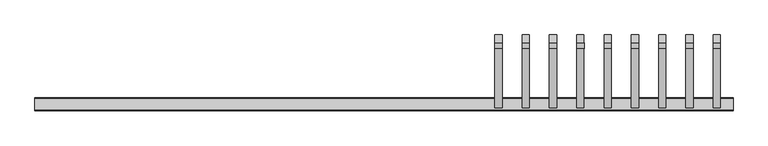
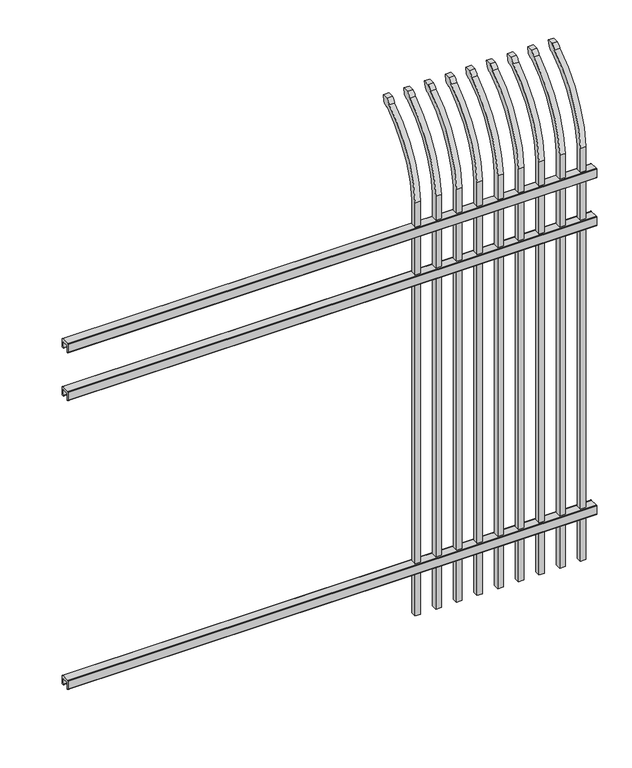
"""IFC4 building model written with IfcOpenShell, lengths in millimetres: railing geometry."""

from ifc_helpers import new_model, si_unit, point, frame, frame_2d, origin, place, context, project, spatial, polyline, circle_curve, ellipse_curve, trimmed, segment, composite_curve, outline, extrude, source, transform, mapped, element, save
from ifc_brep_helpers import plane_surface, cylinder_surface, revolved_surface, extruded_surface, advanced_brep


def railing_c186fdef(model_context):
    return source(origin(), model_context, "Body", "SolidModel", [
        extrude(outline(composite_curve([segment(polyline([(11873.9139761, 304.8), (11911.969541, 304.8)]), True, "CONTINUOUS"), segment(trimmed(circle_curve(frame_2d((11911.969541, 301.625)), 3.175), [point((11911.969541, 304.8))], [point((11915.144541, 301.625))], False, "CARTESIAN"), True, "CONTINUOUS"), segment(polyline([(11915.144541, 301.625), (11915.144541, 262.1439893)]), True, "CONTINUOUS"), segment(trimmed(circle_curve(frame_2d((11913.3505518, 262.1439893)), 1.7939893), [point((11915.144541, 262.1439893))], [point((11913.3505518, 260.35))], False, "CARTESIAN"), True, "CONTINUOUS"), segment(polyline([(11913.3505518, 260.35), (11910.7590713, 260.35)]), True, "CONTINUOUS"), segment(trimmed(circle_curve(frame_2d((11910.7590713, 262.1359375)), 1.7859375), [point((11910.7590713, 260.35))], [point((11908.9755813, 262.0424688))], False, "CARTESIAN"), True, "CONTINUOUS"), segment(polyline([(11908.9755813, 262.0424688), (11907.4025867, 292.0569942), (11878.4364954, 292.0569942), (11876.8635007, 262.0424688)]), True, "CONTINUOUS"), segment(trimmed(circle_curve(frame_2d((11875.0800108, 262.1359375)), 1.7859375), [point((11876.8635007, 262.0424688))], [point((11875.0800108, 260.35))], False, "CARTESIAN"), True, "CONTINUOUS"), segment(polyline([(11875.0800108, 260.35), (11872.4804785, 260.35)]), True, "CONTINUOUS"), segment(trimmed(circle_curve(frame_2d((11872.4804785, 262.1359375)), 1.7859375), [point((11872.4804785, 260.35))], [point((11870.694541, 262.1359375))], False, "CARTESIAN"), True, "CONTINUOUS"), segment(polyline([(11870.694541, 262.1359375), (11870.694541, 301.5805649)]), True, "CONTINUOUS"), segment(trimmed(circle_curve(frame_2d((11873.9139761, 301.5805649)), 3.2194351), [point((11870.694541, 301.5805649))], [point((11873.9139761, 304.8))], False, "CARTESIAN"), True, "CONTINUOUS")], self_intersect=False)), frame((24591.7350064, 0.0, 0.0), z_axis=(1.0, 0.0, 0.0), x_axis=(0.0, 1.0, 0.0)), (0.0, 0.0, 1.0), 2438.4),
        extrude(outline(composite_curve([segment(polyline([(11873.9139761, 1712.9125), (11911.969541, 1712.9125)]), True, "CONTINUOUS"), segment(trimmed(circle_curve(frame_2d((11911.969541, 1709.7375)), 3.175), [point((11911.969541, 1712.9125))], [point((11915.144541, 1709.7375))], False, "CARTESIAN"), True, "CONTINUOUS"), segment(polyline([(11915.144541, 1709.7375), (11915.144541, 1670.2564893)]), True, "CONTINUOUS"), segment(trimmed(circle_curve(frame_2d((11913.3505518, 1670.2564893)), 1.7939893), [point((11915.144541, 1670.2564893))], [point((11913.3505518, 1668.4625))], False, "CARTESIAN"), True, "CONTINUOUS"), segment(polyline([(11913.3505518, 1668.4625), (11910.7590713, 1668.4625)]), True, "CONTINUOUS"), segment(trimmed(circle_curve(frame_2d((11910.7590713, 1670.2484375)), 1.7859375), [point((11910.7590713, 1668.4625))], [point((11908.9755813, 1670.1549688))], False, "CARTESIAN"), True, "CONTINUOUS"), segment(polyline([(11908.9755813, 1670.1549688), (11907.4025867, 1700.1694942), (11878.4364954, 1700.1694942), (11876.8635007, 1670.1549688)]), True, "CONTINUOUS"), segment(trimmed(circle_curve(frame_2d((11875.0800108, 1670.2484375)), 1.7859375), [point((11876.8635007, 1670.1549688))], [point((11875.0800108, 1668.4625))], False, "CARTESIAN"), True, "CONTINUOUS"), segment(polyline([(11875.0800108, 1668.4625), (11872.4804785, 1668.4625)]), True, "CONTINUOUS"), segment(trimmed(circle_curve(frame_2d((11872.4804785, 1670.2484375)), 1.7859375), [point((11872.4804785, 1668.4625))], [point((11870.694541, 1670.2484375))], False, "CARTESIAN"), True, "CONTINUOUS"), segment(polyline([(11870.694541, 1670.2484375), (11870.694541, 1709.6930649)]), True, "CONTINUOUS"), segment(trimmed(circle_curve(frame_2d((11873.9139761, 1709.6930649)), 3.2194351), [point((11870.694541, 1709.6930649))], [point((11873.9139761, 1712.9125))], False, "CARTESIAN"), True, "CONTINUOUS")], self_intersect=False)), frame((24591.7350064, 0.0, 0.0), z_axis=(1.0, 0.0, 0.0), x_axis=(0.0, 1.0, 0.0)), (0.0, 0.0, 1.0), 2438.4),
        extrude(outline(composite_curve([segment(polyline([(11873.9139761, 1946.275), (11911.969541, 1946.275)]), True, "CONTINUOUS"), segment(trimmed(circle_curve(frame_2d((11911.969541, 1943.1)), 3.175), [point((11911.969541, 1946.275))], [point((11915.144541, 1943.1))], False, "CARTESIAN"), True, "CONTINUOUS"), segment(polyline([(11915.144541, 1943.1), (11915.144541, 1903.6189893)]), True, "CONTINUOUS"), segment(trimmed(circle_curve(frame_2d((11913.3505518, 1903.6189893)), 1.7939893), [point((11915.144541, 1903.6189893))], [point((11913.3505518, 1901.825))], False, "CARTESIAN"), True, "CONTINUOUS"), segment(polyline([(11913.3505518, 1901.825), (11910.7590713, 1901.825)]), True, "CONTINUOUS"), segment(trimmed(circle_curve(frame_2d((11910.7590713, 1903.6109375)), 1.7859375), [point((11910.7590713, 1901.825))], [point((11908.9755813, 1903.5174688))], False, "CARTESIAN"), True, "CONTINUOUS"), segment(polyline([(11908.9755813, 1903.5174688), (11907.4025867, 1933.5319942), (11878.4364954, 1933.5319942), (11876.8635007, 1903.5174688)]), True, "CONTINUOUS"), segment(trimmed(circle_curve(frame_2d((11875.0800108, 1903.6109375)), 1.7859375), [point((11876.8635007, 1903.5174688))], [point((11875.0800108, 1901.825))], False, "CARTESIAN"), True, "CONTINUOUS"), segment(polyline([(11875.0800108, 1901.825), (11872.4804785, 1901.825)]), True, "CONTINUOUS"), segment(trimmed(circle_curve(frame_2d((11872.4804785, 1903.6109375)), 1.7859375), [point((11872.4804785, 1901.825))], [point((11870.694541, 1903.6109375))], False, "CARTESIAN"), True, "CONTINUOUS"), segment(polyline([(11870.694541, 1903.6109375), (11870.694541, 1943.0555649)]), True, "CONTINUOUS"), segment(trimmed(circle_curve(frame_2d((11873.9139761, 1943.0555649)), 3.2194351), [point((11870.694541, 1943.0555649))], [point((11873.9139761, 1946.275))], False, "CARTESIAN"), True, "CONTINUOUS")], self_intersect=False)), frame((24591.7350064, 0.0, 0.0), z_axis=(1.0, 0.0, 0.0), x_axis=(0.0, 1.0, 0.0)), (0.0, 0.0, 1.0), 2438.4),
        advanced_brep(
        [(26985.6850064, 11905.619541, 50.8), (26985.6850064, 11905.619541, 2063.9226889), (26985.6850064, 12102.7326851, 2396.1022378), (26985.6850064, 12129.2407099, 2410.7867549), (26985.6850064, 12135.1100864, 2438.4), (26985.6850064, 12106.8799449, 2438.4), (26985.6850064, 12087.4931591, 2417.4682561), (26985.6850064, 11880.219541, 2063.9226889), (26985.6850064, 11880.219541, 50.8), (26960.2850064, 11905.619541, 50.8), (26960.2850064, 11905.619541, 2063.9226889), (26960.2850064, 11880.219541, 2063.9226889), (26960.2850064, 11880.219541, 50.8), (26960.2850064, 12087.4931591, 2417.4682561), (26960.2850064, 12106.8799449, 2438.4), (26960.2850064, 12135.1100864, 2438.4), (26960.2850064, 12129.2407099, 2410.7867549), (26960.2850064, 12102.7326851, 2396.1022378)],
        [
            (0, 1),
            (1, 2, circle_curve(frame((26985.6850064, 12342.9874207, 2028.9640776), z_axis=(-1.0, 0.0, 0.0), x_axis=(0.0, 1.0, 0.0)), 438.7627681)),
            (2, 3, ellipse_curve(frame((26985.6850064, 12110.5579376, 2418.5180619), z_axis=(1.0, 0.0, 0.0), x_axis=(0.0, -0.7771459614569752, -0.6293203910498321)), 26.7460194, 19.05)),
            (3, 4),
            (4, 5),
            (5, 6, ellipse_curve(frame((26985.6850064, 12110.5579376, 2418.5180619), z_axis=(1.0, 0.0, 0.0), x_axis=(0.0, -0.7771459614569761, -0.6293203910498311)), 26.7460194, 19.05)),
            (6, 7, circle_curve(frame((26985.6850064, 12342.0333244, 2030.7065933), z_axis=(1.0, 0.0, 0.0), x_axis=(0.0, 1.0, 0.0)), 463.0067812)),
            (7, 8),
            (8, 0),
            (0, 9),
            (9, 10),
            (10, 1),
            (7, 11),
            (11, 12),
            (12, 8),
            (12, 9),
            (11, 13, circle_curve(frame((26960.2850064, 12342.0333244, 2030.7065933), z_axis=(-1.0, 0.0, 0.0), x_axis=(0.0, 1.0, 0.0)), 463.0067812)),
            (13, 14, ellipse_curve(frame((26960.2850064, 12110.5579376, 2418.5180619), z_axis=(-1.0, 0.0, 0.0), x_axis=(0.0, -0.7771459614569761, -0.6293203910498311)), 26.7460194, 19.05)),
            (14, 15),
            (15, 16),
            (16, 17, ellipse_curve(frame((26960.2850064, 12110.5579376, 2418.5180619), z_axis=(-1.0, 0.0, 0.0), x_axis=(0.0, -0.7771459614569752, -0.6293203910498321)), 26.7460194, 19.05)),
            (17, 10, circle_curve(frame((26960.2850064, 12342.9874207, 2028.9640776), z_axis=(1.0, 0.0, 0.0), x_axis=(0.0, 1.0, 0.0)), 438.7627681)),
            (17, 2),
            (16, 3),
            (15, 4),
            (14, 5),
            (13, 6),
        ],
        [
            plane_surface(frame((26985.6850064, 11905.619541, 50.8), z_axis=(1.0, 0.0, 0.0), x_axis=(0.0, 0.0, 1.0))),
            plane_surface(frame((26985.6850064, 11905.619541, 50.8), z_axis=(0.0, 1.0, 0.0), x_axis=(-1.0, 0.0, 0.0))),
            plane_surface(frame((26985.6850064, 11880.219541, 2063.9226889), z_axis=(0.0, -1.0, 0.0), x_axis=(-1.0, 0.0, 0.0))),
            plane_surface(frame((26985.6850064, 11880.219541, 50.8), z_axis=(0.0, 0.0, -1.0), x_axis=(-1.0, 0.0, 0.0))),
            plane_surface(frame((26960.2850064, 11905.619541, 50.8), z_axis=(-1.0, 0.0, 0.0), x_axis=(0.0, 0.0, -1.0))),
            revolved_surface(polyline([(26960.2850064, 12781.750188799999, 2028.9640776), (26985.6850064, 12781.750188799999, 2028.9640776)]), (26960.2850064, 12342.9874207, 2028.9640776), (-1.0, 0.0, 0.0)),
            extruded_surface(trimmed(ellipse_curve(frame((26934.8850064, 12110.5579376, 2418.5180619), z_axis=(1.0, 0.0, 0.0), x_axis=(0.0, -0.7771459614569752, -0.6293203910498321)), 26.7460194, 19.05), [point((26934.8850064, 12102.7326851, 2396.1022378))], [point((26934.8850064, 12129.2407099, 2410.7867549))], True, "CARTESIAN"), (25.400000000001455, 0.0, 0.0), 25.400000000001455),
            plane_surface(frame((26985.6850064, 12129.2407099, 2410.7867549), z_axis=(0.0, 0.9781476007338008, -0.20791169081778224), x_axis=(-1.0, 0.0, 0.0))),
            plane_surface(frame((26985.6850064, 12135.1100864, 2438.4), z_axis=(0.0, 0.0, 1.0), x_axis=(-1.0, 0.0, 0.0))),
            extruded_surface(trimmed(ellipse_curve(frame((26934.8850064, 12110.5579376, 2418.5180619), z_axis=(1.0, 0.0, 0.0), x_axis=(0.0, -0.7771459614569761, -0.6293203910498311)), 26.7460194, 19.05), [point((26934.8850064, 12106.8799449, 2438.4))], [point((26934.8850064, 12087.4931591, 2417.4682561))], True, "CARTESIAN"), (25.400000000001455, 0.0, 0.0), 25.400000000001455),
            cylinder_surface(frame((26960.2850064, 12342.0333244, 2030.7065933), z_axis=(1.0, 0.0, 0.0), x_axis=(0.0, 1.0, 0.0)), 463.0067812),
        ],
        [
            (0, [[1, 2, 3, 4, 5, 6, 7, 8, 9]]),
            (1, [[-1, 10, 11, 12]]),
            (2, [[-8, 13, 14, 15]]),
            (3, [[-9, -15, 16, -10]]),
            (4, [[-16, -14, 17, 18, 19, 20, 21, 22, -11]]),
            (5, [[-2, -12, -22, 23]]),
            (6, [[-3, -23, -21, 24]]),
            (7, [[-4, -24, -20, 25]]),
            (8, [[-5, -25, -19, 26]]),
            (9, [[-6, -26, -18, 27]]),
            (10, [[-7, -27, -17, -13]]),
        ],
    ),
        advanced_brep(
        [(26890.4350064, 11905.619541, 50.8), (26890.4350064, 11905.619541, 2063.9226889), (26890.4350064, 12102.7326851, 2396.1022378), (26890.4350064, 12129.2407099, 2410.7867549), (26890.4350064, 12135.1100864, 2438.4), (26890.4350064, 12106.8799449, 2438.4), (26890.4350064, 12087.4931591, 2417.4682561), (26890.4350064, 11880.219541, 2063.9226889), (26890.4350064, 11880.219541, 50.8), (26865.0350064, 11905.619541, 50.8), (26865.0350064, 11905.619541, 2063.9226889), (26865.0350064, 11880.219541, 2063.9226889), (26865.0350064, 11880.219541, 50.8), (26865.0350064, 12087.4931591, 2417.4682561), (26865.0350064, 12106.8799449, 2438.4), (26865.0350064, 12135.1100864, 2438.4), (26865.0350064, 12129.2407099, 2410.7867549), (26865.0350064, 12102.7326851, 2396.1022378)],
        [
            (0, 1),
            (1, 2, circle_curve(frame((26890.4350064, 12342.9874207, 2028.9640776), z_axis=(-1.0, 0.0, 0.0), x_axis=(0.0, 1.0, 0.0)), 438.7627681)),
            (2, 3, ellipse_curve(frame((26890.4350064, 12110.5579376, 2418.5180619), z_axis=(1.0, 0.0, 0.0), x_axis=(0.0, -0.7771459614569752, -0.6293203910498321)), 26.7460194, 19.05)),
            (3, 4),
            (4, 5),
            (5, 6, ellipse_curve(frame((26890.4350064, 12110.5579376, 2418.5180619), z_axis=(1.0, 0.0, 0.0), x_axis=(0.0, -0.7771459614569761, -0.6293203910498311)), 26.7460194, 19.05)),
            (6, 7, circle_curve(frame((26890.4350064, 12342.0333244, 2030.7065933), z_axis=(1.0, 0.0, 0.0), x_axis=(0.0, 1.0, 0.0)), 463.0067812)),
            (7, 8),
            (8, 0),
            (0, 9),
            (9, 10),
            (10, 1),
            (7, 11),
            (11, 12),
            (12, 8),
            (12, 9),
            (11, 13, circle_curve(frame((26865.0350064, 12342.0333244, 2030.7065933), z_axis=(-1.0, 0.0, 0.0), x_axis=(0.0, 1.0, 0.0)), 463.0067812)),
            (13, 14, ellipse_curve(frame((26865.0350064, 12110.5579376, 2418.5180619), z_axis=(-1.0, 0.0, 0.0), x_axis=(0.0, -0.7771459614569761, -0.6293203910498311)), 26.7460194, 19.05)),
            (14, 15),
            (15, 16),
            (16, 17, ellipse_curve(frame((26865.0350064, 12110.5579376, 2418.5180619), z_axis=(-1.0, 0.0, 0.0), x_axis=(0.0, -0.7771459614569752, -0.6293203910498321)), 26.7460194, 19.05)),
            (17, 10, circle_curve(frame((26865.0350064, 12342.9874207, 2028.9640776), z_axis=(1.0, 0.0, 0.0), x_axis=(0.0, 1.0, 0.0)), 438.7627681)),
            (17, 2),
            (16, 3),
            (15, 4),
            (14, 5),
            (13, 6),
        ],
        [
            plane_surface(frame((26890.4350064, 11905.619541, 50.8), z_axis=(1.0, 0.0, 0.0), x_axis=(0.0, 0.0, 1.0))),
            plane_surface(frame((26890.4350064, 11905.619541, 50.8), z_axis=(0.0, 1.0, 0.0), x_axis=(-1.0, 0.0, 0.0))),
            plane_surface(frame((26890.4350064, 11880.219541, 2063.9226889), z_axis=(0.0, -1.0, 0.0), x_axis=(-1.0, 0.0, 0.0))),
            plane_surface(frame((26890.4350064, 11880.219541, 50.8), z_axis=(0.0, 0.0, -1.0), x_axis=(-1.0, 0.0, 0.0))),
            plane_surface(frame((26865.0350064, 11905.619541, 50.8), z_axis=(-1.0, 0.0, 0.0), x_axis=(0.0, 0.0, -1.0))),
            revolved_surface(polyline([(26865.0350064, 12781.750188799999, 2028.9640776), (26890.4350064, 12781.750188799999, 2028.9640776)]), (26865.0350064, 12342.9874207, 2028.9640776), (-1.0, 0.0, 0.0)),
            extruded_surface(trimmed(ellipse_curve(frame((26839.6350064, 12110.5579376, 2418.5180619), z_axis=(1.0, 0.0, 0.0), x_axis=(0.0, -0.7771459614569752, -0.6293203910498321)), 26.7460194, 19.05), [point((26839.6350064, 12102.7326851, 2396.1022378))], [point((26839.6350064, 12129.2407099, 2410.7867549))], True, "CARTESIAN"), (25.400000000001455, 0.0, 0.0), 25.400000000001455),
            plane_surface(frame((26890.4350064, 12129.2407099, 2410.7867549), z_axis=(0.0, 0.9781476007338008, -0.20791169081778224), x_axis=(-1.0, 0.0, 0.0))),
            plane_surface(frame((26890.4350064, 12135.1100864, 2438.4), z_axis=(0.0, 0.0, 1.0), x_axis=(-1.0, 0.0, 0.0))),
            extruded_surface(trimmed(ellipse_curve(frame((26839.6350064, 12110.5579376, 2418.5180619), z_axis=(1.0, 0.0, 0.0), x_axis=(0.0, -0.7771459614569761, -0.6293203910498311)), 26.7460194, 19.05), [point((26839.6350064, 12106.8799449, 2438.4))], [point((26839.6350064, 12087.4931591, 2417.4682561))], True, "CARTESIAN"), (25.400000000001455, 0.0, 0.0), 25.400000000001455),
            cylinder_surface(frame((26865.0350064, 12342.0333244, 2030.7065933), z_axis=(1.0, 0.0, 0.0), x_axis=(0.0, 1.0, 0.0)), 463.0067812),
        ],
        [
            (0, [[1, 2, 3, 4, 5, 6, 7, 8, 9]]),
            (1, [[-1, 10, 11, 12]]),
            (2, [[-8, 13, 14, 15]]),
            (3, [[-9, -15, 16, -10]]),
            (4, [[-16, -14, 17, 18, 19, 20, 21, 22, -11]]),
            (5, [[-2, -12, -22, 23]]),
            (6, [[-3, -23, -21, 24]]),
            (7, [[-4, -24, -20, 25]]),
            (8, [[-5, -25, -19, 26]]),
            (9, [[-6, -26, -18, 27]]),
            (10, [[-7, -27, -17, -13]]),
        ],
    ),
        advanced_brep(
        [(26795.1850064, 11905.619541, 50.8), (26795.1850064, 11905.619541, 2063.9226889), (26795.1850064, 12102.7326851, 2396.1022378), (26795.1850064, 12129.2407099, 2410.7867549), (26795.1850064, 12135.1100864, 2438.4), (26795.1850064, 12106.8799449, 2438.4), (26795.1850064, 12087.4931591, 2417.4682561), (26795.1850064, 11880.219541, 2063.9226889), (26795.1850064, 11880.219541, 50.8), (26769.7850064, 11905.619541, 50.8), (26769.7850064, 11905.619541, 2063.9226889), (26769.7850064, 11880.219541, 2063.9226889), (26769.7850064, 11880.219541, 50.8), (26769.7850064, 12087.4931591, 2417.4682561), (26769.7850064, 12106.8799449, 2438.4), (26769.7850064, 12135.1100864, 2438.4), (26769.7850064, 12129.2407099, 2410.7867549), (26769.7850064, 12102.7326851, 2396.1022378)],
        [
            (0, 1),
            (1, 2, circle_curve(frame((26795.1850064, 12342.9874207, 2028.9640776), z_axis=(-1.0, 0.0, 0.0), x_axis=(0.0, 1.0, 0.0)), 438.7627681)),
            (2, 3, ellipse_curve(frame((26795.1850064, 12110.5579376, 2418.5180619), z_axis=(1.0, 0.0, 0.0), x_axis=(0.0, -0.7771459614569752, -0.6293203910498321)), 26.7460194, 19.05)),
            (3, 4),
            (4, 5),
            (5, 6, ellipse_curve(frame((26795.1850064, 12110.5579376, 2418.5180619), z_axis=(1.0, 0.0, 0.0), x_axis=(0.0, -0.7771459614569761, -0.6293203910498311)), 26.7460194, 19.05)),
            (6, 7, circle_curve(frame((26795.1850064, 12342.0333244, 2030.7065933), z_axis=(1.0, 0.0, 0.0), x_axis=(0.0, 1.0, 0.0)), 463.0067812)),
            (7, 8),
            (8, 0),
            (0, 9),
            (9, 10),
            (10, 1),
            (7, 11),
            (11, 12),
            (12, 8),
            (12, 9),
            (11, 13, circle_curve(frame((26769.7850064, 12342.0333244, 2030.7065933), z_axis=(-1.0, 0.0, 0.0), x_axis=(0.0, 1.0, 0.0)), 463.0067812)),
            (13, 14, ellipse_curve(frame((26769.7850064, 12110.5579376, 2418.5180619), z_axis=(-1.0, 0.0, 0.0), x_axis=(0.0, -0.7771459614569761, -0.6293203910498311)), 26.7460194, 19.05)),
            (14, 15),
            (15, 16),
            (16, 17, ellipse_curve(frame((26769.7850064, 12110.5579376, 2418.5180619), z_axis=(-1.0, 0.0, 0.0), x_axis=(0.0, -0.7771459614569752, -0.6293203910498321)), 26.7460194, 19.05)),
            (17, 10, circle_curve(frame((26769.7850064, 12342.9874207, 2028.9640776), z_axis=(1.0, 0.0, 0.0), x_axis=(0.0, 1.0, 0.0)), 438.7627681)),
            (17, 2),
            (16, 3),
            (15, 4),
            (14, 5),
            (13, 6),
        ],
        [
            plane_surface(frame((26795.1850064, 11905.619541, 50.8), z_axis=(1.0, 0.0, 0.0), x_axis=(0.0, 0.0, 1.0))),
            plane_surface(frame((26795.1850064, 11905.619541, 50.8), z_axis=(0.0, 1.0, 0.0), x_axis=(-1.0, 0.0, 0.0))),
            plane_surface(frame((26795.1850064, 11880.219541, 2063.9226889), z_axis=(0.0, -1.0, 0.0), x_axis=(-1.0, 0.0, 0.0))),
            plane_surface(frame((26795.1850064, 11880.219541, 50.8), z_axis=(0.0, 0.0, -1.0), x_axis=(-1.0, 0.0, 0.0))),
            plane_surface(frame((26769.7850064, 11905.619541, 50.8), z_axis=(-1.0, 0.0, 0.0), x_axis=(0.0, 0.0, -1.0))),
            revolved_surface(polyline([(26769.7850064, 12781.750188799999, 2028.9640776), (26795.1850064, 12781.750188799999, 2028.9640776)]), (26769.7850064, 12342.9874207, 2028.9640776), (-1.0, 0.0, 0.0)),
            extruded_surface(trimmed(ellipse_curve(frame((26744.3850064, 12110.5579376, 2418.5180619), z_axis=(1.0, 0.0, 0.0), x_axis=(0.0, -0.7771459614569752, -0.6293203910498321)), 26.7460194, 19.05), [point((26744.3850064, 12102.7326851, 2396.1022378))], [point((26744.3850064, 12129.2407099, 2410.7867549))], True, "CARTESIAN"), (25.400000000001455, 0.0, 0.0), 25.400000000001455),
            plane_surface(frame((26795.1850064, 12129.2407099, 2410.7867549), z_axis=(0.0, 0.9781476007338008, -0.20791169081778224), x_axis=(-1.0, 0.0, 0.0))),
            plane_surface(frame((26795.1850064, 12135.1100864, 2438.4), z_axis=(0.0, 0.0, 1.0), x_axis=(-1.0, 0.0, 0.0))),
            extruded_surface(trimmed(ellipse_curve(frame((26744.3850064, 12110.5579376, 2418.5180619), z_axis=(1.0, 0.0, 0.0), x_axis=(0.0, -0.7771459614569761, -0.6293203910498311)), 26.7460194, 19.05), [point((26744.3850064, 12106.8799449, 2438.4))], [point((26744.3850064, 12087.4931591, 2417.4682561))], True, "CARTESIAN"), (25.400000000001455, 0.0, 0.0), 25.400000000001455),
            cylinder_surface(frame((26769.7850064, 12342.0333244, 2030.7065933), z_axis=(1.0, 0.0, 0.0), x_axis=(0.0, 1.0, 0.0)), 463.0067812),
        ],
        [
            (0, [[1, 2, 3, 4, 5, 6, 7, 8, 9]]),
            (1, [[-1, 10, 11, 12]]),
            (2, [[-8, 13, 14, 15]]),
            (3, [[-9, -15, 16, -10]]),
            (4, [[-16, -14, 17, 18, 19, 20, 21, 22, -11]]),
            (5, [[-2, -12, -22, 23]]),
            (6, [[-3, -23, -21, 24]]),
            (7, [[-4, -24, -20, 25]]),
            (8, [[-5, -25, -19, 26]]),
            (9, [[-6, -26, -18, 27]]),
            (10, [[-7, -27, -17, -13]]),
        ],
    ),
        advanced_brep(
        [(26699.9350064, 11905.619541, 50.8), (26699.9350064, 11905.619541, 2063.9226889), (26699.9350064, 12102.7326851, 2396.1022378), (26699.9350064, 12129.2407099, 2410.7867549), (26699.9350064, 12135.1100864, 2438.4), (26699.9350064, 12106.8799449, 2438.4), (26699.9350064, 12087.4931591, 2417.4682561), (26699.9350064, 11880.219541, 2063.9226889), (26699.9350064, 11880.219541, 50.8), (26674.5350064, 11905.619541, 50.8), (26674.5350064, 11905.619541, 2063.9226889), (26674.5350064, 11880.219541, 2063.9226889), (26674.5350064, 11880.219541, 50.8), (26674.5350064, 12087.4931591, 2417.4682561), (26674.5350064, 12106.8799449, 2438.4), (26674.5350064, 12135.1100864, 2438.4), (26674.5350064, 12129.2407099, 2410.7867549), (26674.5350064, 12102.7326851, 2396.1022378)],
        [
            (0, 1),
            (1, 2, circle_curve(frame((26699.9350064, 12342.9874207, 2028.9640776), z_axis=(-1.0, 0.0, 0.0), x_axis=(0.0, 1.0, 0.0)), 438.7627681)),
            (2, 3, ellipse_curve(frame((26699.9350064, 12110.5579376, 2418.5180619), z_axis=(1.0, 0.0, 0.0), x_axis=(0.0, -0.7771459614569752, -0.6293203910498321)), 26.7460194, 19.05)),
            (3, 4),
            (4, 5),
            (5, 6, ellipse_curve(frame((26699.9350064, 12110.5579376, 2418.5180619), z_axis=(1.0, 0.0, 0.0), x_axis=(0.0, -0.7771459614569761, -0.6293203910498311)), 26.7460194, 19.05)),
            (6, 7, circle_curve(frame((26699.9350064, 12342.0333244, 2030.7065933), z_axis=(1.0, 0.0, 0.0), x_axis=(0.0, 1.0, 0.0)), 463.0067812)),
            (7, 8),
            (8, 0),
            (0, 9),
            (9, 10),
            (10, 1),
            (7, 11),
            (11, 12),
            (12, 8),
            (12, 9),
            (11, 13, circle_curve(frame((26674.5350064, 12342.0333244, 2030.7065933), z_axis=(-1.0, 0.0, 0.0), x_axis=(0.0, 1.0, 0.0)), 463.0067812)),
            (13, 14, ellipse_curve(frame((26674.5350064, 12110.5579376, 2418.5180619), z_axis=(-1.0, 0.0, 0.0), x_axis=(0.0, -0.7771459614569761, -0.6293203910498311)), 26.7460194, 19.05)),
            (14, 15),
            (15, 16),
            (16, 17, ellipse_curve(frame((26674.5350064, 12110.5579376, 2418.5180619), z_axis=(-1.0, 0.0, 0.0), x_axis=(0.0, -0.7771459614569752, -0.6293203910498321)), 26.7460194, 19.05)),
            (17, 10, circle_curve(frame((26674.5350064, 12342.9874207, 2028.9640776), z_axis=(1.0, 0.0, 0.0), x_axis=(0.0, 1.0, 0.0)), 438.7627681)),
            (17, 2),
            (16, 3),
            (15, 4),
            (14, 5),
            (13, 6),
        ],
        [
            plane_surface(frame((26699.9350064, 11905.619541, 50.8), z_axis=(1.0, 0.0, 0.0), x_axis=(0.0, 0.0, 1.0))),
            plane_surface(frame((26699.9350064, 11905.619541, 50.8), z_axis=(0.0, 1.0, 0.0), x_axis=(-1.0, 0.0, 0.0))),
            plane_surface(frame((26699.9350064, 11880.219541, 2063.9226889), z_axis=(0.0, -1.0, 0.0), x_axis=(-1.0, 0.0, 0.0))),
            plane_surface(frame((26699.9350064, 11880.219541, 50.8), z_axis=(0.0, 0.0, -1.0), x_axis=(-1.0, 0.0, 0.0))),
            plane_surface(frame((26674.5350064, 11905.619541, 50.8), z_axis=(-1.0, 0.0, 0.0), x_axis=(0.0, 0.0, -1.0))),
            revolved_surface(polyline([(26674.5350064, 12781.750188799999, 2028.9640776), (26699.9350064, 12781.750188799999, 2028.9640776)]), (26674.5350064, 12342.9874207, 2028.9640776), (-1.0, 0.0, 0.0)),
            extruded_surface(trimmed(ellipse_curve(frame((26649.1350064, 12110.5579376, 2418.5180619), z_axis=(1.0, 0.0, 0.0), x_axis=(0.0, -0.7771459614569752, -0.6293203910498321)), 26.7460194, 19.05), [point((26649.1350064, 12102.7326851, 2396.1022378))], [point((26649.1350064, 12129.2407099, 2410.7867549))], True, "CARTESIAN"), (25.400000000001455, 0.0, 0.0), 25.400000000001455),
            plane_surface(frame((26699.9350064, 12129.2407099, 2410.7867549), z_axis=(0.0, 0.9781476007338008, -0.20791169081778224), x_axis=(-1.0, 0.0, 0.0))),
            plane_surface(frame((26699.9350064, 12135.1100864, 2438.4), z_axis=(0.0, 0.0, 1.0), x_axis=(-1.0, 0.0, 0.0))),
            extruded_surface(trimmed(ellipse_curve(frame((26649.1350064, 12110.5579376, 2418.5180619), z_axis=(1.0, 0.0, 0.0), x_axis=(0.0, -0.7771459614569761, -0.6293203910498311)), 26.7460194, 19.05), [point((26649.1350064, 12106.8799449, 2438.4))], [point((26649.1350064, 12087.4931591, 2417.4682561))], True, "CARTESIAN"), (25.400000000001455, 0.0, 0.0), 25.400000000001455),
            cylinder_surface(frame((26674.5350064, 12342.0333244, 2030.7065933), z_axis=(1.0, 0.0, 0.0), x_axis=(0.0, 1.0, 0.0)), 463.0067812),
        ],
        [
            (0, [[1, 2, 3, 4, 5, 6, 7, 8, 9]]),
            (1, [[-1, 10, 11, 12]]),
            (2, [[-8, 13, 14, 15]]),
            (3, [[-9, -15, 16, -10]]),
            (4, [[-16, -14, 17, 18, 19, 20, 21, 22, -11]]),
            (5, [[-2, -12, -22, 23]]),
            (6, [[-3, -23, -21, 24]]),
            (7, [[-4, -24, -20, 25]]),
            (8, [[-5, -25, -19, 26]]),
            (9, [[-6, -26, -18, 27]]),
            (10, [[-7, -27, -17, -13]]),
        ],
    ),
        advanced_brep(
        [(26604.6850064, 11905.619541, 50.8), (26604.6850064, 11905.619541, 2063.9226889), (26604.6850064, 12102.7326851, 2396.1022378), (26604.6850064, 12129.2407099, 2410.7867549), (26604.6850064, 12135.1100864, 2438.4), (26604.6850064, 12106.8799449, 2438.4), (26604.6850064, 12087.4931591, 2417.4682561), (26604.6850064, 11880.219541, 2063.9226889), (26604.6850064, 11880.219541, 50.8), (26579.2850064, 11905.619541, 50.8), (26579.2850064, 11905.619541, 2063.9226889), (26579.2850064, 11880.219541, 2063.9226889), (26579.2850064, 11880.219541, 50.8), (26579.2850064, 12087.4931591, 2417.4682561), (26579.2850064, 12106.8799449, 2438.4), (26579.2850064, 12135.1100864, 2438.4), (26579.2850064, 12129.2407099, 2410.7867549), (26579.2850064, 12102.7326851, 2396.1022378)],
        [
            (0, 1),
            (1, 2, circle_curve(frame((26604.6850064, 12342.9874207, 2028.9640776), z_axis=(-1.0, 0.0, 0.0), x_axis=(0.0, 1.0, 0.0)), 438.7627681)),
            (2, 3, ellipse_curve(frame((26604.6850064, 12110.5579376, 2418.5180619), z_axis=(1.0, 0.0, 0.0), x_axis=(0.0, -0.7771459614569752, -0.6293203910498321)), 26.7460194, 19.05)),
            (3, 4),
            (4, 5),
            (5, 6, ellipse_curve(frame((26604.6850064, 12110.5579376, 2418.5180619), z_axis=(1.0, 0.0, 0.0), x_axis=(0.0, -0.7771459614569761, -0.6293203910498311)), 26.7460194, 19.05)),
            (6, 7, circle_curve(frame((26604.6850064, 12342.0333244, 2030.7065933), z_axis=(1.0, 0.0, 0.0), x_axis=(0.0, 1.0, 0.0)), 463.0067812)),
            (7, 8),
            (8, 0),
            (0, 9),
            (9, 10),
            (10, 1),
            (7, 11),
            (11, 12),
            (12, 8),
            (12, 9),
            (11, 13, circle_curve(frame((26579.2850064, 12342.0333244, 2030.7065933), z_axis=(-1.0, 0.0, 0.0), x_axis=(0.0, 1.0, 0.0)), 463.0067812)),
            (13, 14, ellipse_curve(frame((26579.2850064, 12110.5579376, 2418.5180619), z_axis=(-1.0, 0.0, 0.0), x_axis=(0.0, -0.7771459614569761, -0.6293203910498311)), 26.7460194, 19.05)),
            (14, 15),
            (15, 16),
            (16, 17, ellipse_curve(frame((26579.2850064, 12110.5579376, 2418.5180619), z_axis=(-1.0, 0.0, 0.0), x_axis=(0.0, -0.7771459614569752, -0.6293203910498321)), 26.7460194, 19.05)),
            (17, 10, circle_curve(frame((26579.2850064, 12342.9874207, 2028.9640776), z_axis=(1.0, 0.0, 0.0), x_axis=(0.0, 1.0, 0.0)), 438.7627681)),
            (17, 2),
            (16, 3),
            (15, 4),
            (14, 5),
            (13, 6),
        ],
        [
            plane_surface(frame((26604.6850064, 11905.619541, 50.8), z_axis=(1.0, 0.0, 0.0), x_axis=(0.0, 0.0, 1.0))),
            plane_surface(frame((26604.6850064, 11905.619541, 50.8), z_axis=(0.0, 1.0, 0.0), x_axis=(-1.0, 0.0, 0.0))),
            plane_surface(frame((26604.6850064, 11880.219541, 2063.9226889), z_axis=(0.0, -1.0, 0.0), x_axis=(-1.0, 0.0, 0.0))),
            plane_surface(frame((26604.6850064, 11880.219541, 50.8), z_axis=(0.0, 0.0, -1.0), x_axis=(-1.0, 0.0, 0.0))),
            plane_surface(frame((26579.2850064, 11905.619541, 50.8), z_axis=(-1.0, 0.0, 0.0), x_axis=(0.0, 0.0, -1.0))),
            revolved_surface(polyline([(26579.2850064, 12781.750188799999, 2028.9640776), (26604.6850064, 12781.750188799999, 2028.9640776)]), (26579.2850064, 12342.9874207, 2028.9640776), (-1.0, 0.0, 0.0)),
            extruded_surface(trimmed(ellipse_curve(frame((26553.8850064, 12110.5579376, 2418.5180619), z_axis=(1.0, 0.0, 0.0), x_axis=(0.0, -0.7771459614569752, -0.6293203910498321)), 26.7460194, 19.05), [point((26553.8850064, 12102.7326851, 2396.1022378))], [point((26553.8850064, 12129.2407099, 2410.7867549))], True, "CARTESIAN"), (25.400000000001455, 0.0, 0.0), 25.400000000001455),
            plane_surface(frame((26604.6850064, 12129.2407099, 2410.7867549), z_axis=(0.0, 0.9781476007338008, -0.20791169081778224), x_axis=(-1.0, 0.0, 0.0))),
            plane_surface(frame((26604.6850064, 12135.1100864, 2438.4), z_axis=(0.0, 0.0, 1.0), x_axis=(-1.0, 0.0, 0.0))),
            extruded_surface(trimmed(ellipse_curve(frame((26553.8850064, 12110.5579376, 2418.5180619), z_axis=(1.0, 0.0, 0.0), x_axis=(0.0, -0.7771459614569761, -0.6293203910498311)), 26.7460194, 19.05), [point((26553.8850064, 12106.8799449, 2438.4))], [point((26553.8850064, 12087.4931591, 2417.4682561))], True, "CARTESIAN"), (25.400000000001455, 0.0, 0.0), 25.400000000001455),
            cylinder_surface(frame((26579.2850064, 12342.0333244, 2030.7065933), z_axis=(1.0, 0.0, 0.0), x_axis=(0.0, 1.0, 0.0)), 463.0067812),
        ],
        [
            (0, [[1, 2, 3, 4, 5, 6, 7, 8, 9]]),
            (1, [[-1, 10, 11, 12]]),
            (2, [[-8, 13, 14, 15]]),
            (3, [[-9, -15, 16, -10]]),
            (4, [[-16, -14, 17, 18, 19, 20, 21, 22, -11]]),
            (5, [[-2, -12, -22, 23]]),
            (6, [[-3, -23, -21, 24]]),
            (7, [[-4, -24, -20, 25]]),
            (8, [[-5, -25, -19, 26]]),
            (9, [[-6, -26, -18, 27]]),
            (10, [[-7, -27, -17, -13]]),
        ],
    ),
        advanced_brep(
        [(26509.4350064, 11905.619541, 50.8), (26509.4350064, 11905.619541, 2063.9226889), (26509.4350064, 12102.7326851, 2396.1022378), (26509.4350064, 12129.2407099, 2410.7867549), (26509.4350064, 12135.1100864, 2438.4), (26509.4350064, 12106.8799449, 2438.4), (26509.4350064, 12087.4931591, 2417.4682561), (26509.4350064, 11880.219541, 2063.9226889), (26509.4350064, 11880.219541, 50.8), (26484.0350064, 11905.619541, 50.8), (26484.0350064, 11905.619541, 2063.9226889), (26484.0350064, 11880.219541, 2063.9226889), (26484.0350064, 11880.219541, 50.8), (26484.0350064, 12087.4931591, 2417.4682561), (26484.0350064, 12106.8799449, 2438.4), (26484.0350064, 12135.1100864, 2438.4), (26484.0350064, 12129.2407099, 2410.7867549), (26484.0350064, 12102.7326851, 2396.1022378)],
        [
            (0, 1),
            (1, 2, circle_curve(frame((26509.4350064, 12342.9874207, 2028.9640776), z_axis=(-1.0, 0.0, 0.0), x_axis=(0.0, 1.0, 0.0)), 438.7627681)),
            (2, 3, ellipse_curve(frame((26509.4350064, 12110.5579376, 2418.5180619), z_axis=(1.0, 0.0, 0.0), x_axis=(0.0, -0.7771459614569752, -0.6293203910498321)), 26.7460194, 19.05)),
            (3, 4),
            (4, 5),
            (5, 6, ellipse_curve(frame((26509.4350064, 12110.5579376, 2418.5180619), z_axis=(1.0, 0.0, 0.0), x_axis=(0.0, -0.7771459614569761, -0.6293203910498311)), 26.7460194, 19.05)),
            (6, 7, circle_curve(frame((26509.4350064, 12342.0333244, 2030.7065933), z_axis=(1.0, 0.0, 0.0), x_axis=(0.0, 1.0, 0.0)), 463.0067812)),
            (7, 8),
            (8, 0),
            (0, 9),
            (9, 10),
            (10, 1),
            (7, 11),
            (11, 12),
            (12, 8),
            (12, 9),
            (11, 13, circle_curve(frame((26484.0350064, 12342.0333244, 2030.7065933), z_axis=(-1.0, 0.0, 0.0), x_axis=(0.0, 1.0, 0.0)), 463.0067812)),
            (13, 14, ellipse_curve(frame((26484.0350064, 12110.5579376, 2418.5180619), z_axis=(-1.0, 0.0, 0.0), x_axis=(0.0, -0.7771459614569761, -0.6293203910498311)), 26.7460194, 19.05)),
            (14, 15),
            (15, 16),
            (16, 17, ellipse_curve(frame((26484.0350064, 12110.5579376, 2418.5180619), z_axis=(-1.0, 0.0, 0.0), x_axis=(0.0, -0.7771459614569752, -0.6293203910498321)), 26.7460194, 19.05)),
            (17, 10, circle_curve(frame((26484.0350064, 12342.9874207, 2028.9640776), z_axis=(1.0, 0.0, 0.0), x_axis=(0.0, 1.0, 0.0)), 438.7627681)),
            (17, 2),
            (16, 3),
            (15, 4),
            (14, 5),
            (13, 6),
        ],
        [
            plane_surface(frame((26509.4350064, 11905.619541, 50.8), z_axis=(1.0, 0.0, 0.0), x_axis=(0.0, 0.0, 1.0))),
            plane_surface(frame((26509.4350064, 11905.619541, 50.8), z_axis=(0.0, 1.0, 0.0), x_axis=(-1.0, 0.0, 0.0))),
            plane_surface(frame((26509.4350064, 11880.219541, 2063.9226889), z_axis=(0.0, -1.0, 0.0), x_axis=(-1.0, 0.0, 0.0))),
            plane_surface(frame((26509.4350064, 11880.219541, 50.8), z_axis=(0.0, 0.0, -1.0), x_axis=(-1.0, 0.0, 0.0))),
            plane_surface(frame((26484.0350064, 11905.619541, 50.8), z_axis=(-1.0, 0.0, 0.0), x_axis=(0.0, 0.0, -1.0))),
            revolved_surface(polyline([(26484.0350064, 12781.750188799999, 2028.9640776), (26509.4350064, 12781.750188799999, 2028.9640776)]), (26484.0350064, 12342.9874207, 2028.9640776), (-1.0, 0.0, 0.0)),
            extruded_surface(trimmed(ellipse_curve(frame((26458.6350064, 12110.5579376, 2418.5180619), z_axis=(1.0, 0.0, 0.0), x_axis=(0.0, -0.7771459614569752, -0.6293203910498321)), 26.7460194, 19.05), [point((26458.6350064, 12102.7326851, 2396.1022378))], [point((26458.6350064, 12129.2407099, 2410.7867549))], True, "CARTESIAN"), (25.400000000001455, 0.0, 0.0), 25.400000000001455),
            plane_surface(frame((26509.4350064, 12129.2407099, 2410.7867549), z_axis=(0.0, 0.9781476007338008, -0.20791169081778224), x_axis=(-1.0, 0.0, 0.0))),
            plane_surface(frame((26509.4350064, 12135.1100864, 2438.4), z_axis=(0.0, 0.0, 1.0), x_axis=(-1.0, 0.0, 0.0))),
            extruded_surface(trimmed(ellipse_curve(frame((26458.6350064, 12110.5579376, 2418.5180619), z_axis=(1.0, 0.0, 0.0), x_axis=(0.0, -0.7771459614569761, -0.6293203910498311)), 26.7460194, 19.05), [point((26458.6350064, 12106.8799449, 2438.4))], [point((26458.6350064, 12087.4931591, 2417.4682561))], True, "CARTESIAN"), (25.400000000001455, 0.0, 0.0), 25.400000000001455),
            cylinder_surface(frame((26484.0350064, 12342.0333244, 2030.7065933), z_axis=(1.0, 0.0, 0.0), x_axis=(0.0, 1.0, 0.0)), 463.0067812),
        ],
        [
            (0, [[1, 2, 3, 4, 5, 6, 7, 8, 9]]),
            (1, [[-1, 10, 11, 12]]),
            (2, [[-8, 13, 14, 15]]),
            (3, [[-9, -15, 16, -10]]),
            (4, [[-16, -14, 17, 18, 19, 20, 21, 22, -11]]),
            (5, [[-2, -12, -22, 23]]),
            (6, [[-3, -23, -21, 24]]),
            (7, [[-4, -24, -20, 25]]),
            (8, [[-5, -25, -19, 26]]),
            (9, [[-6, -26, -18, 27]]),
            (10, [[-7, -27, -17, -13]]),
        ],
    ),
        advanced_brep(
        [(26414.1850064, 11905.619541, 50.8), (26414.1850064, 11905.619541, 2063.9226889), (26414.1850064, 12102.7326851, 2396.1022378), (26414.1850064, 12129.2407099, 2410.7867549), (26414.1850064, 12135.1100864, 2438.4), (26414.1850064, 12106.8799449, 2438.4), (26414.1850064, 12087.4931591, 2417.4682561), (26414.1850064, 11880.219541, 2063.9226889), (26414.1850064, 11880.219541, 50.8), (26388.7850064, 11905.619541, 50.8), (26388.7850064, 11905.619541, 2063.9226889), (26388.7850064, 11880.219541, 2063.9226889), (26388.7850064, 11880.219541, 50.8), (26388.7850064, 12087.4931591, 2417.4682561), (26388.7850064, 12106.8799449, 2438.4), (26388.7850064, 12135.1100864, 2438.4), (26388.7850064, 12129.2407099, 2410.7867549), (26388.7850064, 12102.7326851, 2396.1022378)],
        [
            (0, 1),
            (1, 2, circle_curve(frame((26414.1850064, 12342.9874207, 2028.9640776), z_axis=(-1.0, 0.0, 0.0), x_axis=(0.0, 1.0, 0.0)), 438.7627681)),
            (2, 3, ellipse_curve(frame((26414.1850064, 12110.5579376, 2418.5180619), z_axis=(1.0, 0.0, 0.0), x_axis=(0.0, -0.7771459614569752, -0.6293203910498321)), 26.7460194, 19.05)),
            (3, 4),
            (4, 5),
            (5, 6, ellipse_curve(frame((26414.1850064, 12110.5579376, 2418.5180619), z_axis=(1.0, 0.0, 0.0), x_axis=(0.0, -0.7771459614569761, -0.6293203910498311)), 26.7460194, 19.05)),
            (6, 7, circle_curve(frame((26414.1850064, 12342.0333244, 2030.7065933), z_axis=(1.0, 0.0, 0.0), x_axis=(0.0, 1.0, 0.0)), 463.0067812)),
            (7, 8),
            (8, 0),
            (0, 9),
            (9, 10),
            (10, 1),
            (7, 11),
            (11, 12),
            (12, 8),
            (12, 9),
            (11, 13, circle_curve(frame((26388.7850064, 12342.0333244, 2030.7065933), z_axis=(-1.0, 0.0, 0.0), x_axis=(0.0, 1.0, 0.0)), 463.0067812)),
            (13, 14, ellipse_curve(frame((26388.7850064, 12110.5579376, 2418.5180619), z_axis=(-1.0, 0.0, 0.0), x_axis=(0.0, -0.7771459614569761, -0.6293203910498311)), 26.7460194, 19.05)),
            (14, 15),
            (15, 16),
            (16, 17, ellipse_curve(frame((26388.7850064, 12110.5579376, 2418.5180619), z_axis=(-1.0, 0.0, 0.0), x_axis=(0.0, -0.7771459614569752, -0.6293203910498321)), 26.7460194, 19.05)),
            (17, 10, circle_curve(frame((26388.7850064, 12342.9874207, 2028.9640776), z_axis=(1.0, 0.0, 0.0), x_axis=(0.0, 1.0, 0.0)), 438.7627681)),
            (17, 2),
            (16, 3),
            (15, 4),
            (14, 5),
            (13, 6),
        ],
        [
            plane_surface(frame((26414.1850064, 11905.619541, 50.8), z_axis=(1.0, 0.0, 0.0), x_axis=(0.0, 0.0, 1.0))),
            plane_surface(frame((26414.1850064, 11905.619541, 50.8), z_axis=(0.0, 1.0, 0.0), x_axis=(-1.0, 0.0, 0.0))),
            plane_surface(frame((26414.1850064, 11880.219541, 2063.9226889), z_axis=(0.0, -1.0, 0.0), x_axis=(-1.0, 0.0, 0.0))),
            plane_surface(frame((26414.1850064, 11880.219541, 50.8), z_axis=(0.0, 0.0, -1.0), x_axis=(-1.0, 0.0, 0.0))),
            plane_surface(frame((26388.7850064, 11905.619541, 50.8), z_axis=(-1.0, 0.0, 0.0), x_axis=(0.0, 0.0, -1.0))),
            revolved_surface(polyline([(26388.7850064, 12781.750188799999, 2028.9640776), (26414.1850064, 12781.750188799999, 2028.9640776)]), (26388.7850064, 12342.9874207, 2028.9640776), (-1.0, 0.0, 0.0)),
            extruded_surface(trimmed(ellipse_curve(frame((26363.3850064, 12110.5579376, 2418.5180619), z_axis=(1.0, 0.0, 0.0), x_axis=(0.0, -0.7771459614569752, -0.6293203910498321)), 26.7460194, 19.05), [point((26363.3850064, 12102.7326851, 2396.1022378))], [point((26363.3850064, 12129.2407099, 2410.7867549))], True, "CARTESIAN"), (25.400000000001455, 0.0, 0.0), 25.400000000001455),
            plane_surface(frame((26414.1850064, 12129.2407099, 2410.7867549), z_axis=(0.0, 0.9781476007338008, -0.20791169081778224), x_axis=(-1.0, 0.0, 0.0))),
            plane_surface(frame((26414.1850064, 12135.1100864, 2438.4), z_axis=(0.0, 0.0, 1.0), x_axis=(-1.0, 0.0, 0.0))),
            extruded_surface(trimmed(ellipse_curve(frame((26363.3850064, 12110.5579376, 2418.5180619), z_axis=(1.0, 0.0, 0.0), x_axis=(0.0, -0.7771459614569761, -0.6293203910498311)), 26.7460194, 19.05), [point((26363.3850064, 12106.8799449, 2438.4))], [point((26363.3850064, 12087.4931591, 2417.4682561))], True, "CARTESIAN"), (25.400000000001455, 0.0, 0.0), 25.400000000001455),
            cylinder_surface(frame((26388.7850064, 12342.0333244, 2030.7065933), z_axis=(1.0, 0.0, 0.0), x_axis=(0.0, 1.0, 0.0)), 463.0067812),
        ],
        [
            (0, [[1, 2, 3, 4, 5, 6, 7, 8, 9]]),
            (1, [[-1, 10, 11, 12]]),
            (2, [[-8, 13, 14, 15]]),
            (3, [[-9, -15, 16, -10]]),
            (4, [[-16, -14, 17, 18, 19, 20, 21, 22, -11]]),
            (5, [[-2, -12, -22, 23]]),
            (6, [[-3, -23, -21, 24]]),
            (7, [[-4, -24, -20, 25]]),
            (8, [[-5, -25, -19, 26]]),
            (9, [[-6, -26, -18, 27]]),
            (10, [[-7, -27, -17, -13]]),
        ],
    ),
        advanced_brep(
        [(26318.9350064, 11905.619541, 50.8), (26318.9350064, 11905.619541, 2063.9226889), (26318.9350064, 12102.7326851, 2396.1022378), (26318.9350064, 12129.2407099, 2410.7867549), (26318.9350064, 12135.1100864, 2438.4), (26318.9350064, 12106.8799449, 2438.4), (26318.9350064, 12087.4931591, 2417.4682561), (26318.9350064, 11880.219541, 2063.9226889), (26318.9350064, 11880.219541, 50.8), (26293.5350064, 11905.619541, 50.8), (26293.5350064, 11905.619541, 2063.9226889), (26293.5350064, 11880.219541, 2063.9226889), (26293.5350064, 11880.219541, 50.8), (26293.5350064, 12087.4931591, 2417.4682561), (26293.5350064, 12106.8799449, 2438.4), (26293.5350064, 12135.1100864, 2438.4), (26293.5350064, 12129.2407099, 2410.7867549), (26293.5350064, 12102.7326851, 2396.1022378)],
        [
            (0, 1),
            (1, 2, circle_curve(frame((26318.9350064, 12342.9874207, 2028.9640776), z_axis=(-1.0, 0.0, 0.0), x_axis=(0.0, 1.0, 0.0)), 438.7627681)),
            (2, 3, ellipse_curve(frame((26318.9350064, 12110.5579376, 2418.5180619), z_axis=(1.0, 0.0, 0.0), x_axis=(0.0, -0.7771459614569752, -0.6293203910498321)), 26.7460194, 19.05)),
            (3, 4),
            (4, 5),
            (5, 6, ellipse_curve(frame((26318.9350064, 12110.5579376, 2418.5180619), z_axis=(1.0, 0.0, 0.0), x_axis=(0.0, -0.7771459614569761, -0.6293203910498311)), 26.7460194, 19.05)),
            (6, 7, circle_curve(frame((26318.9350064, 12342.0333244, 2030.7065933), z_axis=(1.0, 0.0, 0.0), x_axis=(0.0, 1.0, 0.0)), 463.0067812)),
            (7, 8),
            (8, 0),
            (0, 9),
            (9, 10),
            (10, 1),
            (7, 11),
            (11, 12),
            (12, 8),
            (12, 9),
            (11, 13, circle_curve(frame((26293.5350064, 12342.0333244, 2030.7065933), z_axis=(-1.0, 0.0, 0.0), x_axis=(0.0, 1.0, 0.0)), 463.0067812)),
            (13, 14, ellipse_curve(frame((26293.5350064, 12110.5579376, 2418.5180619), z_axis=(-1.0, 0.0, 0.0), x_axis=(0.0, -0.7771459614569761, -0.6293203910498311)), 26.7460194, 19.05)),
            (14, 15),
            (15, 16),
            (16, 17, ellipse_curve(frame((26293.5350064, 12110.5579376, 2418.5180619), z_axis=(-1.0, 0.0, 0.0), x_axis=(0.0, -0.7771459614569752, -0.6293203910498321)), 26.7460194, 19.05)),
            (17, 10, circle_curve(frame((26293.5350064, 12342.9874207, 2028.9640776), z_axis=(1.0, 0.0, 0.0), x_axis=(0.0, 1.0, 0.0)), 438.7627681)),
            (17, 2),
            (16, 3),
            (15, 4),
            (14, 5),
            (13, 6),
        ],
        [
            plane_surface(frame((26318.9350064, 11905.619541, 50.8), z_axis=(1.0, 0.0, 0.0), x_axis=(0.0, 0.0, 1.0))),
            plane_surface(frame((26318.9350064, 11905.619541, 50.8), z_axis=(0.0, 1.0, 0.0), x_axis=(-1.0, 0.0, 0.0))),
            plane_surface(frame((26318.9350064, 11880.219541, 2063.9226889), z_axis=(0.0, -1.0, 0.0), x_axis=(-1.0, 0.0, 0.0))),
            plane_surface(frame((26318.9350064, 11880.219541, 50.8), z_axis=(0.0, 0.0, -1.0), x_axis=(-1.0, 0.0, 0.0))),
            plane_surface(frame((26293.5350064, 11905.619541, 50.8), z_axis=(-1.0, 0.0, 0.0), x_axis=(0.0, 0.0, -1.0))),
            revolved_surface(polyline([(26293.5350064, 12781.750188799999, 2028.9640776), (26318.9350064, 12781.750188799999, 2028.9640776)]), (26293.5350064, 12342.9874207, 2028.9640776), (-1.0, 0.0, 0.0)),
            extruded_surface(trimmed(ellipse_curve(frame((26268.1350064, 12110.5579376, 2418.5180619), z_axis=(1.0, 0.0, 0.0), x_axis=(0.0, -0.7771459614569752, -0.6293203910498321)), 26.7460194, 19.05), [point((26268.1350064, 12102.7326851, 2396.1022378))], [point((26268.1350064, 12129.2407099, 2410.7867549))], True, "CARTESIAN"), (25.400000000001455, 0.0, 0.0), 25.400000000001455),
            plane_surface(frame((26318.9350064, 12129.2407099, 2410.7867549), z_axis=(0.0, 0.9781476007338008, -0.20791169081778224), x_axis=(-1.0, 0.0, 0.0))),
            plane_surface(frame((26318.9350064, 12135.1100864, 2438.4), z_axis=(0.0, 0.0, 1.0), x_axis=(-1.0, 0.0, 0.0))),
            extruded_surface(trimmed(ellipse_curve(frame((26268.1350064, 12110.5579376, 2418.5180619), z_axis=(1.0, 0.0, 0.0), x_axis=(0.0, -0.7771459614569761, -0.6293203910498311)), 26.7460194, 19.05), [point((26268.1350064, 12106.8799449, 2438.4))], [point((26268.1350064, 12087.4931591, 2417.4682561))], True, "CARTESIAN"), (25.400000000001455, 0.0, 0.0), 25.400000000001455),
            cylinder_surface(frame((26293.5350064, 12342.0333244, 2030.7065933), z_axis=(1.0, 0.0, 0.0), x_axis=(0.0, 1.0, 0.0)), 463.0067812),
        ],
        [
            (0, [[1, 2, 3, 4, 5, 6, 7, 8, 9]]),
            (1, [[-1, 10, 11, 12]]),
            (2, [[-8, 13, 14, 15]]),
            (3, [[-9, -15, 16, -10]]),
            (4, [[-16, -14, 17, 18, 19, 20, 21, 22, -11]]),
            (5, [[-2, -12, -22, 23]]),
            (6, [[-3, -23, -21, 24]]),
            (7, [[-4, -24, -20, 25]]),
            (8, [[-5, -25, -19, 26]]),
            (9, [[-6, -26, -18, 27]]),
            (10, [[-7, -27, -17, -13]]),
        ],
    ),
        advanced_brep(
        [(26223.6850064, 11905.619541, 50.8), (26223.6850064, 11905.619541, 2063.9226889), (26223.6850064, 12102.7326851, 2396.1022378), (26223.6850064, 12129.2407099, 2410.7867549), (26223.6850064, 12135.1100864, 2438.4), (26223.6850064, 12106.8799449, 2438.4), (26223.6850064, 12087.4931591, 2417.4682561), (26223.6850064, 11880.219541, 2063.9226889), (26223.6850064, 11880.219541, 50.8), (26198.2850064, 11905.619541, 50.8), (26198.2850064, 11905.619541, 2063.9226889), (26198.2850064, 11880.219541, 2063.9226889), (26198.2850064, 11880.219541, 50.8), (26198.2850064, 12087.4931591, 2417.4682561), (26198.2850064, 12106.8799449, 2438.4), (26198.2850064, 12135.1100864, 2438.4), (26198.2850064, 12129.2407099, 2410.7867549), (26198.2850064, 12102.7326851, 2396.1022378)],
        [
            (0, 1),
            (1, 2, circle_curve(frame((26223.6850064, 12342.9874207, 2028.9640776), z_axis=(-1.0, 0.0, 0.0), x_axis=(0.0, 1.0, 0.0)), 438.7627681)),
            (2, 3, ellipse_curve(frame((26223.6850064, 12110.5579376, 2418.5180619), z_axis=(1.0, 0.0, 0.0), x_axis=(0.0, -0.7771459614569752, -0.6293203910498321)), 26.7460194, 19.05)),
            (3, 4),
            (4, 5),
            (5, 6, ellipse_curve(frame((26223.6850064, 12110.5579376, 2418.5180619), z_axis=(1.0, 0.0, 0.0), x_axis=(0.0, -0.7771459614569761, -0.6293203910498311)), 26.7460194, 19.05)),
            (6, 7, circle_curve(frame((26223.6850064, 12342.0333244, 2030.7065933), z_axis=(1.0, 0.0, 0.0), x_axis=(0.0, 1.0, 0.0)), 463.0067812)),
            (7, 8),
            (8, 0),
            (0, 9),
            (9, 10),
            (10, 1),
            (7, 11),
            (11, 12),
            (12, 8),
            (12, 9),
            (11, 13, circle_curve(frame((26198.2850064, 12342.0333244, 2030.7065933), z_axis=(-1.0, 0.0, 0.0), x_axis=(0.0, 1.0, 0.0)), 463.0067812)),
            (13, 14, ellipse_curve(frame((26198.2850064, 12110.5579376, 2418.5180619), z_axis=(-1.0, 0.0, 0.0), x_axis=(0.0, -0.7771459614569761, -0.6293203910498311)), 26.7460194, 19.05)),
            (14, 15),
            (15, 16),
            (16, 17, ellipse_curve(frame((26198.2850064, 12110.5579376, 2418.5180619), z_axis=(-1.0, 0.0, 0.0), x_axis=(0.0, -0.7771459614569752, -0.6293203910498321)), 26.7460194, 19.05)),
            (17, 10, circle_curve(frame((26198.2850064, 12342.9874207, 2028.9640776), z_axis=(1.0, 0.0, 0.0), x_axis=(0.0, 1.0, 0.0)), 438.7627681)),
            (17, 2),
            (16, 3),
            (15, 4),
            (14, 5),
            (13, 6),
        ],
        [
            plane_surface(frame((26223.6850064, 11905.619541, 50.8), z_axis=(1.0, 0.0, 0.0), x_axis=(0.0, 0.0, 1.0))),
            plane_surface(frame((26223.6850064, 11905.619541, 50.8), z_axis=(0.0, 1.0, 0.0), x_axis=(-1.0, 0.0, 0.0))),
            plane_surface(frame((26223.6850064, 11880.219541, 2063.9226889), z_axis=(0.0, -1.0, 0.0), x_axis=(-1.0, 0.0, 0.0))),
            plane_surface(frame((26223.6850064, 11880.219541, 50.8), z_axis=(0.0, 0.0, -1.0), x_axis=(-1.0, 0.0, 0.0))),
            plane_surface(frame((26198.2850064, 11905.619541, 50.8), z_axis=(-1.0, 0.0, 0.0), x_axis=(0.0, 0.0, -1.0))),
            revolved_surface(polyline([(26198.2850064, 12781.750188799999, 2028.9640776), (26223.6850064, 12781.750188799999, 2028.9640776)]), (26198.2850064, 12342.9874207, 2028.9640776), (-1.0, 0.0, 0.0)),
            extruded_surface(trimmed(ellipse_curve(frame((26172.8850064, 12110.5579376, 2418.5180619), z_axis=(1.0, 0.0, 0.0), x_axis=(0.0, -0.7771459614569752, -0.6293203910498321)), 26.7460194, 19.05), [point((26172.8850064, 12102.7326851, 2396.1022378))], [point((26172.8850064, 12129.2407099, 2410.7867549))], True, "CARTESIAN"), (25.400000000001455, 0.0, 0.0), 25.400000000001455),
            plane_surface(frame((26223.6850064, 12129.2407099, 2410.7867549), z_axis=(0.0, 0.9781476007338008, -0.20791169081778224), x_axis=(-1.0, 0.0, 0.0))),
            plane_surface(frame((26223.6850064, 12135.1100864, 2438.4), z_axis=(0.0, 0.0, 1.0), x_axis=(-1.0, 0.0, 0.0))),
            extruded_surface(trimmed(ellipse_curve(frame((26172.8850064, 12110.5579376, 2418.5180619), z_axis=(1.0, 0.0, 0.0), x_axis=(0.0, -0.7771459614569761, -0.6293203910498311)), 26.7460194, 19.05), [point((26172.8850064, 12106.8799449, 2438.4))], [point((26172.8850064, 12087.4931591, 2417.4682561))], True, "CARTESIAN"), (25.400000000001455, 0.0, 0.0), 25.400000000001455),
            cylinder_surface(frame((26198.2850064, 12342.0333244, 2030.7065933), z_axis=(1.0, 0.0, 0.0), x_axis=(0.0, 1.0, 0.0)), 463.0067812),
        ],
        [
            (0, [[1, 2, 3, 4, 5, 6, 7, 8, 9]]),
            (1, [[-1, 10, 11, 12]]),
            (2, [[-8, 13, 14, 15]]),
            (3, [[-9, -15, 16, -10]]),
            (4, [[-16, -14, 17, 18, 19, 20, 21, 22, -11]]),
            (5, [[-2, -12, -22, 23]]),
            (6, [[-3, -23, -21, 24]]),
            (7, [[-4, -24, -20, 25]]),
            (8, [[-5, -25, -19, 26]]),
            (9, [[-6, -26, -18, 27]]),
            (10, [[-7, -27, -17, -13]]),
        ],
    ),
    ])


if __name__ == "__main__":
    model = new_model("IFC4")
    model_context = context("Model", 3, world=origin())
    ifc_project = project(units=[si_unit("LENGTHUNIT", "METRE", prefix="MILLI")], contexts=[model_context])
    site = spatial("IfcSite", under=ifc_project)
    building = spatial("IfcBuilding", under=site)
    placement = place(None, origin())
    railing_shape = railing_c186fdef(model_context)
    element("IfcRailing", 1, at=placement, inside=building, context=model_context, shape_type="MappedRepresentation", body=[
        mapped(railing_shape, transform((0.0, 0.0, 0.0), x_axis=(1.0, 0.0, 0.0), y_axis=(0.0, 1.0, 0.0), z_axis=(0.0, 0.0, 1.0))),
    ])
    save(model, "model.ifc")
